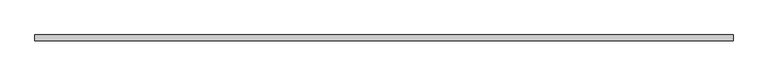
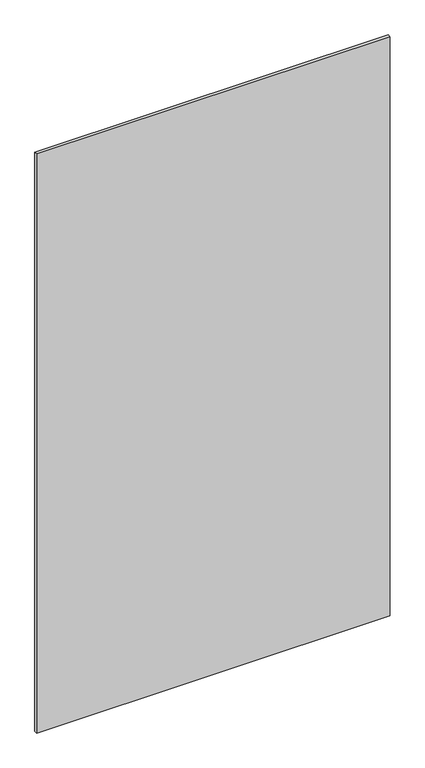
"""IFC4 building model written with IfcOpenShell, lengths in millimetres: plate geometry."""

from ifc_helpers import new_model, si_unit, origin, origin_with_axes, place, context, project, spatial, polyline, outline, extrude, source, transform, mapped, element, save


def plate_a5758aa4(model_context):
    return source(origin(), model_context, "Body", "SweptSolid", [
        extrude(outline(polyline([(627.75, 5.2), (627.75, -5.2), (-627.75, -5.2), (-627.75, 5.2), (627.75, 5.2)])), origin_with_axes(), (0.0, 0.0, 1.0), 2173.3),
    ])


if __name__ == "__main__":
    model = new_model("IFC4")
    model_context = context("Model", 3, world=origin())
    ifc_project = project(units=[si_unit("LENGTHUNIT", "METRE", prefix="MILLI")], contexts=[model_context])
    site = spatial("IfcSite", under=ifc_project)
    building = spatial("IfcBuilding", under=site)
    placement = place(None, origin())
    plate_shape = plate_a5758aa4(model_context)
    element("IfcPlate", 1, at=placement, inside=building, context=model_context, shape_type="MappedRepresentation", body=[
        mapped(plate_shape, transform((0.0, 0.0, 0.0), x_axis=(1.0, 0.0, 0.0), y_axis=(0.0, 1.0, 0.0), z_axis=(0.0, 0.0, 1.0))),
    ])
    save(model, "model.ifc")
